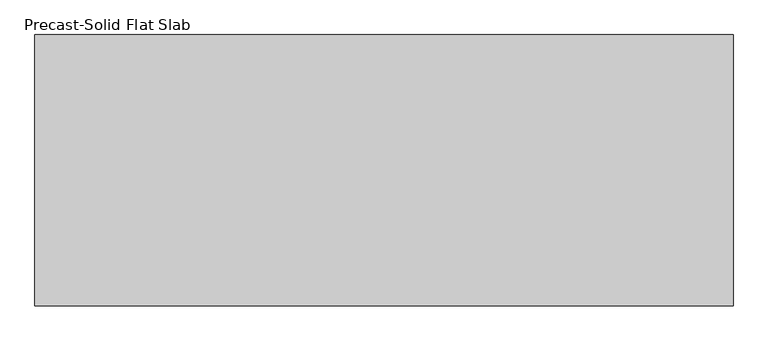
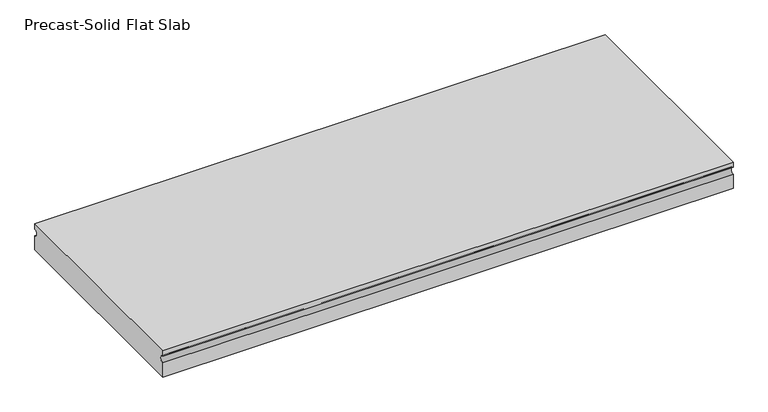
"""IFC4 building model written with IfcOpenShell, lengths in millimetres: beam geometry, Precast-Solid Flat Slab."""

from ifc_helpers import new_model, si_unit, point, frame, frame_2d, origin, place, context, project, spatial, polyline, circle_curve, trimmed, segment, composite_curve, outline, extrude, source, transform, mapped, element, save


def precast_solid_flat_slab_3d773f45(model_context):
    return source(origin(), model_context, "Body", "SweptSolid", [
        extrude(outline(composite_curve([segment(polyline([(-304.8, 38.1), (304.8, 38.1), (304.8, 22.225)]), True, "CONTINUOUS"), segment(trimmed(circle_curve(frame_2d((304.8, 12.7)), 9.525), [point((304.8, 22.225))], [point((304.8, 3.175))], True, "CARTESIAN"), True, "CONTINUOUS"), segment(polyline([(304.8, 3.175), (304.8, -38.1), (-304.8, -38.1), (-304.8, 3.175)]), True, "CONTINUOUS"), segment(trimmed(circle_curve(frame_2d((-304.8, 12.7)), 9.525), [point((-304.8, 3.175))], [point((-304.8, 22.225))], True, "CARTESIAN"), True, "CONTINUOUS"), segment(polyline([(-304.8, 22.225), (-304.8, 38.1)]), True, "CONTINUOUS")], self_intersect=False)), frame((-825.4999994, 0.0, 0.0), z_axis=(1.0, 0.0, 0.0), x_axis=(0.0, 1.0, 0.0)), (0.0, 0.0, 1.0), 1568.5988275),
    ])


if __name__ == "__main__":
    model = new_model("IFC4")
    model_context = context("Model", 3, world=origin())
    ifc_project = project(units=[si_unit("LENGTHUNIT", "METRE", prefix="MILLI")], contexts=[model_context])
    site = spatial("IfcSite", under=ifc_project)
    building = spatial("IfcBuilding", under=site)
    placement = place(None, origin())
    precast_solid_flat_slab_shape = precast_solid_flat_slab_3d773f45(model_context)
    element("IfcBeam", 1, ObjectType="Precast-Solid Flat Slab", at=placement, inside=building, context=model_context, shape_type="MappedRepresentation", body=[
        mapped(precast_solid_flat_slab_shape, transform((0.0, 0.0, 0.0), x_axis=(1.0, 0.0, 0.0), y_axis=(0.0, 1.0, 0.0), z_axis=(0.0, 0.0, 1.0))),
    ])
    save(model, "model.ifc")
